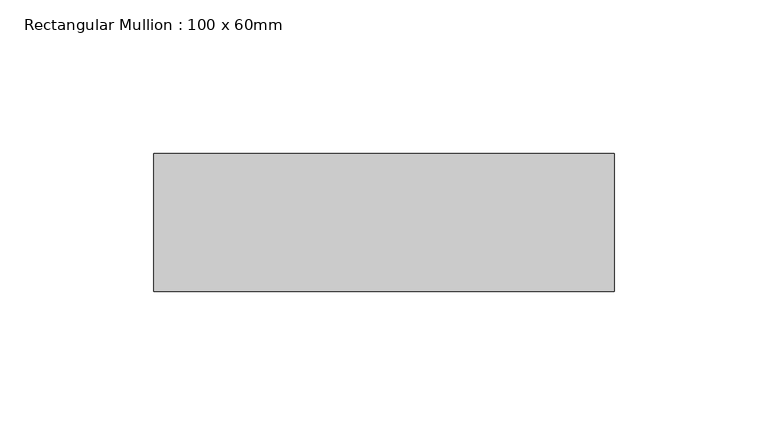
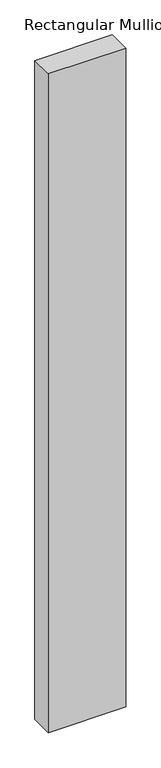
"""IFC4 building model written with IfcOpenShell, lengths in millimetres: member geometry, Rectangular Mullion : 100 x 60mm."""

from ifc_helpers import new_model, si_unit, frame, origin, place, context, project, spatial, polyline, outline, extrude, source, transform, mapped, element, save


def rectangular_mullion_100_x_60mm_5d7ad264(model_context):
    return source(origin(), model_context, "Body", "SweptSolid", [
        extrude(outline(polyline([(-75.0, 30.0), (75.0, 30.0), (75.0, -15.0), (-75.0, -15.0), (-75.0, 30.0)])), frame((0.0, 0.0, -1350.0), z_axis=(0.0, 0.0, 1.0), x_axis=(1.0, 0.0, 0.0)), (0.0, 0.0, 1.0), 1350.0),
    ])


if __name__ == "__main__":
    model = new_model("IFC4")
    model_context = context("Model", 3, world=origin())
    ifc_project = project(units=[si_unit("LENGTHUNIT", "METRE", prefix="MILLI")], contexts=[model_context])
    site = spatial("IfcSite", under=ifc_project)
    building = spatial("IfcBuilding", under=site)
    placement = place(None, origin())
    rectangular_mullion_100_x_60mm_shape = rectangular_mullion_100_x_60mm_5d7ad264(model_context)
    element("IfcMember", 1, ObjectType="Rectangular Mullion : 100 x 60mm", at=placement, inside=building, context=model_context, shape_type="MappedRepresentation", body=[
        mapped(rectangular_mullion_100_x_60mm_shape, transform((0.0, 0.0, 0.0), x_axis=(1.0, 0.0, 0.0), y_axis=(0.0, 1.0, 0.0), z_axis=(0.0, 0.0, 1.0))),
    ])
    save(model, "model.ifc")
